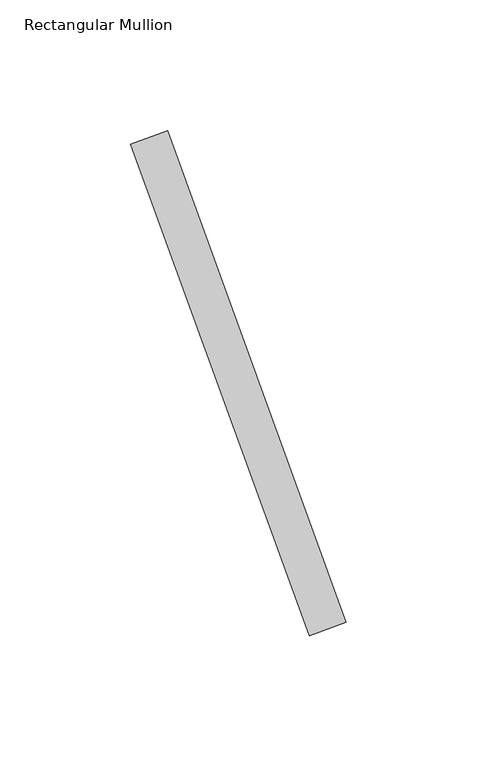
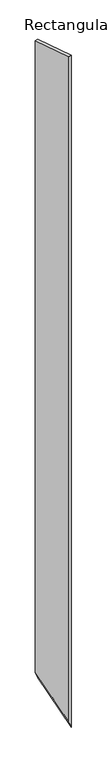
"""IFC4 building model written with IfcOpenShell, lengths in millimetres: member geometry, Rectangular Mullion."""

from ifc_helpers import new_model, si_unit, origin, place, context, project, spatial, faceted_brep, source, transform, mapped, element, save


def rectangular_mullion_9d0ebbb7(model_context):
    return source(origin(), model_context, "Body", "Brep", [
        faceted_brep([(-19.0607062, 52.36886, 0.0), (-87.4647349, 240.3073841, 0.0), (-101.5601242, 235.177082, 0.0), (-33.1560955, 47.2385578, 0.0), (-19.0607062, 52.36886, -3756.5896696), (-87.4647349, 240.3073841, -3568.4996708), (-101.5601242, 235.177082, -3529.7416939), (-33.1560955, 47.2385578, -3717.8316928)], [[[0, 1, 2, 3]], [[1, 0, 4, 5]], [[2, 1, 5, 6]], [[3, 2, 6, 7]], [[0, 3, 7, 4]], [[4, 7, 6, 5]]]),
    ])


if __name__ == "__main__":
    model = new_model("IFC4")
    model_context = context("Model", 3, world=origin())
    ifc_project = project(units=[si_unit("LENGTHUNIT", "METRE", prefix="MILLI")], contexts=[model_context])
    site = spatial("IfcSite", under=ifc_project)
    building = spatial("IfcBuilding", under=site)
    placement = place(None, origin())
    rectangular_mullion_shape = rectangular_mullion_9d0ebbb7(model_context)
    element("IfcMember", 1, ObjectType="Rectangular Mullion", at=placement, inside=building, context=model_context, shape_type="MappedRepresentation", body=[
        mapped(rectangular_mullion_shape, transform((0.0, 0.0, 0.0), x_axis=(1.0, 0.0, 0.0), y_axis=(0.0, 1.0, 0.0), z_axis=(0.0, 0.0, 1.0))),
    ])
    save(model, "model.ifc")
